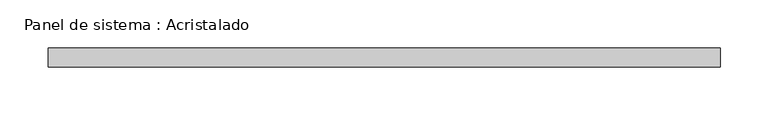
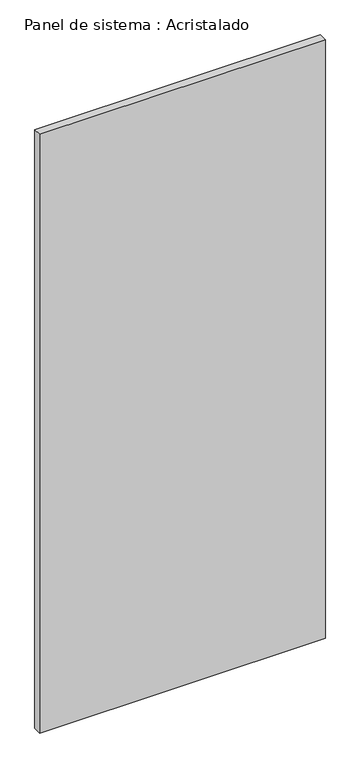
"""IFC4 building model written with IfcOpenShell, lengths in millimetres: plate geometry, Panel de sistema : Acristalado."""

from ifc_helpers import new_model, si_unit, origin, origin_with_axes, place, context, project, spatial, polyline, outline, extrude, source, transform, mapped, element, save


def panel_de_sistema_acristalado_5ab7d7df(model_context):
    return source(origin(), model_context, "Body", "SweptSolid", [
        extrude(outline(polyline([(350.0, -10.0), (-350.0, -10.0), (-350.0, 10.0), (350.0, 10.0), (350.0, -10.0)])), origin_with_axes(), (0.0, 0.0, 1.0), 1550.0),
    ])


if __name__ == "__main__":
    model = new_model("IFC4")
    model_context = context("Model", 3, world=origin())
    ifc_project = project(units=[si_unit("LENGTHUNIT", "METRE", prefix="MILLI")], contexts=[model_context])
    site = spatial("IfcSite", under=ifc_project)
    building = spatial("IfcBuilding", under=site)
    placement = place(None, origin())
    panel_de_sistema_acristalado_shape = panel_de_sistema_acristalado_5ab7d7df(model_context)
    element("IfcPlate", 1, ObjectType="Panel de sistema : Acristalado", at=placement, inside=building, context=model_context, shape_type="MappedRepresentation", body=[
        mapped(panel_de_sistema_acristalado_shape, transform((0.0, 0.0, 0.0), x_axis=(1.0, 0.0, 0.0), y_axis=(0.0, 1.0, 0.0), z_axis=(0.0, 0.0, 1.0))),
    ])
    save(model, "model.ifc")
